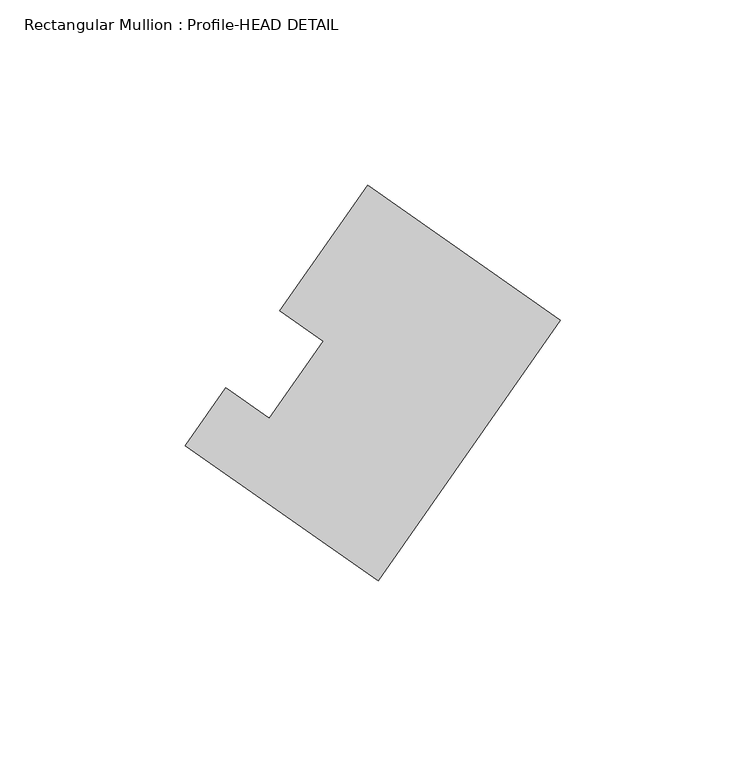
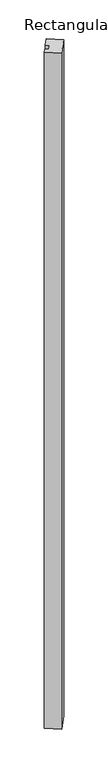
"""IFC4 building model written with IfcOpenShell, lengths in millimetres: member geometry, Rectangular Mullion : Profile-HEAD DETAIL."""

from ifc_helpers import new_model, si_unit, frame, origin, place, context, project, spatial, polyline, outline, extrude, source, transform, mapped, element, save


def rectangular_mullion_profile_head_detail_7e15e514(model_context):
    return source(origin(), model_context, "Body", "SweptSolid", [
        extrude(outline(polyline([(-49.1697148, -13.9395728), (-101.1858696, 22.4825309), (-90.2592094, 38.0874189), (-78.5661321, 29.8998381), (-63.9972906, 50.7063), (-75.6905368, 58.8939681), (-52.0161548, 92.7044896), (0.0, 56.2823859), (-49.1697148, -13.9395728)])), frame((0.0, 0.0, -3048.0), z_axis=(0.0, 0.0, 1.0), x_axis=(1.0, 0.0, 0.0)), (0.0, 0.0, 1.0), 3048.0),
    ])


if __name__ == "__main__":
    model = new_model("IFC4")
    model_context = context("Model", 3, world=origin())
    ifc_project = project(units=[si_unit("LENGTHUNIT", "METRE", prefix="MILLI")], contexts=[model_context])
    site = spatial("IfcSite", under=ifc_project)
    building = spatial("IfcBuilding", under=site)
    placement = place(None, origin())
    rectangular_mullion_profile_head_detail_shape = rectangular_mullion_profile_head_detail_7e15e514(model_context)
    element("IfcMember", 1, ObjectType="Rectangular Mullion : Profile-HEAD DETAIL", at=placement, inside=building, context=model_context, shape_type="MappedRepresentation", body=[
        mapped(rectangular_mullion_profile_head_detail_shape, transform((0.0, 0.0, 0.0), x_axis=(1.0, 0.0, 0.0), y_axis=(0.0, 1.0, 0.0), z_axis=(0.0, 0.0, 1.0))),
    ])
    save(model, "model.ifc")
